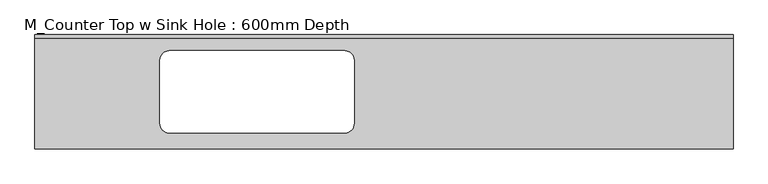
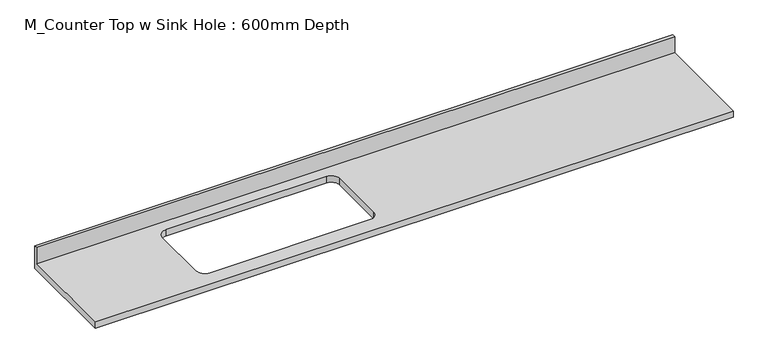
"""IFC4 building model written with IfcOpenShell, lengths in millimetres: furniture geometry, M_Counter Top w Sink Hole : 600mm Depth."""

import ifcopenshell
import ifcopenshell.guid

model = None  # the IFC model being written
_history = None  # IfcOwnerHistory: only IFC2X3 demands one
_inside = {}  # id of a spatial element -> (the spatial element, [elements in it])
_under = {}  # id of a project, library or spatial element -> (it, [spatial elements below it])
_declared = {}  # id of a project -> (the project, [libraries it declares])
_typed = {}  # id of a type object -> (the type object, [elements of that type])
_made_of = {}  # id of a material, layer set ... -> (it, [elements and type objects made of it])


def new_model(schema):
    """Start an empty IFC model of exactly this schema.

    Asked for "IFC4X3", IfcOpenShell would pick the latest addendum, in which some entities
    have other attributes; the version numbers below select the first issue.
    IFC2X3 requires an IfcOwnerHistory on every rooted entity: one is made here for all.
    """
    global model, _history
    if schema == "IFC4X3":
        model = ifcopenshell.file(schema_version=(4, 3, 0, 0))
    else:
        model = ifcopenshell.file(schema=schema)
    _inside.clear()
    _under.clear()
    _declared.clear()
    _typed.clear()
    _made_of.clear()
    _history = None
    if model.schema == "IFC2X3":
        org = make("IfcOrganization", Name="unknown")
        user = make(
            "IfcPersonAndOrganization",
            ThePerson=make("IfcPerson", FamilyName="unknown"),
            TheOrganization=org,
        )
        app = make(
            "IfcApplication",
            ApplicationDeveloper=org,
            Version="unknown",
            ApplicationFullName="unknown",
            ApplicationIdentifier="unknown",
        )
        _history = make(
            "IfcOwnerHistory",
            OwningUser=user,
            OwningApplication=app,
            ChangeAction="ADDED",
            CreationDate=0,
        )
    return model


def make(cls, **values):
    """One entity of the class cls with the attributes given. An attribute that is None is left unset."""
    return model.create_entity(
        cls, **{name: value for name, value in values.items() if value is not None}
    )


def rooted(cls, **values):
    """An entity with a GlobalId (a new one), such as an element, a storey or a relation."""
    return make(cls, GlobalId=ifcopenshell.guid.new(), OwnerHistory=_history, **values)


def si_unit(unit_type, name, prefix=None):
    """IfcSIUnit, for example si_unit("LENGTHUNIT", "METRE", prefix="MILLI")."""
    return make("IfcSIUnit", UnitType=unit_type, Prefix=prefix, Name=name)


def assignment(units):
    """IfcUnitAssignment: the units of a project."""
    return None if units is None else make("IfcUnitAssignment", Units=units)


def point(xyz):
    """IfcCartesianPoint."""
    return None if xyz is None else make("IfcCartesianPoint", Coordinates=xyz)


def direction(xyz):
    """IfcDirection."""
    return None if xyz is None else make("IfcDirection", DirectionRatios=xyz)


def frame(location, z_axis=None, x_axis=None):
    """IfcAxis2Placement3D, a coordinate frame: its origin and axes. An axis left out is left unset."""
    return make(
        "IfcAxis2Placement3D",
        Location=point(location),
        Axis=direction(z_axis),
        RefDirection=direction(x_axis),
    )


def origin():
    """The frame at (0, 0, 0) with its axes left unset."""
    return frame((0.0, 0.0, 0.0))


def place(relative_to, where):
    """IfcLocalPlacement: puts the frame where relative to a parent placement (None: the world)."""
    return make(
        "IfcLocalPlacement", PlacementRelTo=relative_to, RelativePlacement=where
    )


def context(
    kind, dimensions, precision=None, world=None, true_north=None, identifier=None
):
    """IfcGeometricRepresentationContext, for example the 3D "Model" context."""
    return make(
        "IfcGeometricRepresentationContext",
        ContextIdentifier=identifier,
        ContextType=kind,
        CoordinateSpaceDimension=dimensions,
        Precision=precision,
        WorldCoordinateSystem=world,
        TrueNorth=true_north,
    )


def project(units=None, contexts=None):
    """IfcProject with its units and contexts."""
    return rooted(
        "IfcProject",
        Name="project",
        RepresentationContexts=contexts,
        UnitsInContext=assignment(units),
    )


def spatial(cls, under=None, at=None, **own):
    """A site, building, storey or space (cls), placed at a placement, below another one or the project."""
    s = rooted(cls, ObjectPlacement=at, **own)
    if under is not None:
        _under.setdefault(under.id(), (under, []))[1].append(s)
    return s


def polyline(points):
    """IfcPolyline through the points."""
    return make("IfcPolyline", Points=[point(p) for p in points])


def circle_curve(where, radius):
    """IfcCircle in the frame where."""
    return make("IfcCircle", Position=where, Radius=radius)


def shape(context_of_items, identifier, shape_type, items):
    """IfcShapeRepresentation: the items that make up one representation, for example the "Body"."""
    return make(
        "IfcShapeRepresentation",
        ContextOfItems=context_of_items,
        RepresentationIdentifier=identifier,
        RepresentationType=shape_type,
        Items=items,
    )


def source(mapping_origin, context_of_items, identifier, shape_type, items):
    """IfcRepresentationMap: a shape defined once, which mapped items show again and again."""
    return make(
        "IfcRepresentationMap",
        MappingOrigin=mapping_origin,
        MappedRepresentation=shape(context_of_items, identifier, shape_type, items),
    )


def transform(
    local_origin,
    x_axis=None,
    y_axis=None,
    z_axis=None,
    scale=None,
    scale2=None,
    scale3=None,
    uniform=True,
):
    """IfcCartesianTransformationOperator3D, or its non-uniform kind. x_axis, y_axis, z_axis: its Axis1, 2, 3."""
    if uniform:
        return make(
            "IfcCartesianTransformationOperator3D",
            Axis1=direction(x_axis),
            Axis2=direction(y_axis),
            LocalOrigin=point(local_origin),
            Scale=scale,
            Axis3=direction(z_axis),
        )
    return make(
        "IfcCartesianTransformationOperator3DnonUniform",
        Axis1=direction(x_axis),
        Axis2=direction(y_axis),
        LocalOrigin=point(local_origin),
        Scale=scale,
        Axis3=direction(z_axis),
        Scale2=scale2,
        Scale3=scale3,
    )


def mapped(mapping_source, mapping_target):
    """IfcMappedItem: shows the shape of a source again, moved by a transform."""
    return make(
        "IfcMappedItem", MappingSource=mapping_source, MappingTarget=mapping_target
    )


def made_of(thing, what):
    """Note that an element or type object is made of a material, layer set ...; save() writes the relation."""
    if what is not None:
        _made_of.setdefault(what.id(), (what, []))[1].append(thing)
    return thing


def element(
    cls,
    number,
    at=None,
    inside=None,
    cuts=None,
    type_object=None,
    material=None,
    context=None,
    identifier="Body",
    shape_type=None,
    held_by="IfcProductDefinitionShape",
    body=None,
    shapes=None,
    **own,
):
    """One element of the class cls, such as IfcWall. Its Tag is "e" and its number.

    at: its placement. inside: the storey or other place that contains it. cuts: it is an
    opening in that element (IfcRelVoidsElement). A single representation is given by context,
    identifier, shape_type and body (its items); several are given by shapes. held_by: the class
    of the entity that holds the representations. save() writes the other relations.
    """
    e = rooted(cls, Tag="e%d" % number, ObjectPlacement=at, **own)
    if body is not None:
        shapes = [shape(context, identifier, shape_type, body)]
    if shapes is not None:
        e.Representation = make(held_by, Representations=shapes)
    if inside is not None:
        _inside.setdefault(inside.id(), (inside, []))[1].append(e)
    if cuts is not None:
        rooted(
            "IfcRelVoidsElement", RelatingBuildingElement=cuts, RelatedOpeningElement=e
        )
    if type_object is not None:
        _typed.setdefault(type_object.id(), (type_object, []))[1].append(e)
    return made_of(e, material)


def aggregate(whole, parts):
    """IfcRelAggregates: a whole, such as a stair, and the parts it consists of."""
    return rooted("IfcRelAggregates", RelatingObject=whole, RelatedObjects=parts)


def save(model, path):
    """Write the relations noted so far, then the file.

    IfcRelAggregates (storeys below a building ...), IfcRelContainedInSpatialStructure (elements
    in a storey), IfcRelDefinesByType, IfcRelAssociatesMaterial and IfcRelDeclares: one each for
    every whole, place, type object, material and project.
    """
    for whole, parts in _under.values():
        aggregate(whole, parts)
    for where, things in _inside.values():
        rooted(
            "IfcRelContainedInSpatialStructure",
            RelatedElements=things,
            RelatingStructure=where,
        )
    for kind, things in _typed.values():
        rooted("IfcRelDefinesByType", RelatedObjects=things, RelatingType=kind)
    for what, things in _made_of.values():
        rooted("IfcRelAssociatesMaterial", RelatedObjects=things, RelatingMaterial=what)
    for by, libraries in _declared.values():
        rooted("IfcRelDeclares", RelatingContext=by, RelatedDefinitions=libraries)
    model.write(path)


def plane_surface(at):
    """IfcPlane: the flat surface through the origin of the frame at, square to its z axis."""
    return make("IfcPlane", Position=at)


def revolved_surface(curve, axis_point, axis_direction):
    """IfcSurfaceOfRevolution: the curve turned about the line through axis_point along axis_direction."""
    return make(
        "IfcSurfaceOfRevolution",
        SweptCurve=make("IfcArbitraryOpenProfileDef", ProfileType="CURVE", Curve=curve),
        AxisPosition=make("IfcAxis1Placement", Location=point(axis_point), Axis=direction(axis_direction)),
    )


def advanced_brep(points, edges, surfaces, faces):
    """IfcAdvancedBrep: a solid bounded by faces that lie on surfaces and meet in shared edges.

    An edge is (start, end): straight between two places in points (the first is 0);
    or (start, end, curve); or (start, end, curve, False) where it runs against its curve.
    A face is (place in surfaces, loops), or (place, loops, False) where it looks against
    its surface's normal. A loop lists edges by number (the first is 1), with a minus sign
    where the edge is run from its end to its start. The first loop is the outer one.
    """
    corners = [point(p) for p in points]
    vertices = [make("IfcVertexPoint", VertexGeometry=c) for c in corners]
    made = []
    for start, end, *more in edges:
        made.append(
            make(
                "IfcEdgeCurve",
                EdgeStart=vertices[start],
                EdgeEnd=vertices[end],
                EdgeGeometry=more[0] if more else make("IfcPolyline", Points=[corners[start], corners[end]]),
                SameSense=more[1] if len(more) > 1 else True,
            )
        )
    hull = []
    for where, loops, *sense in faces:
        bounds = []
        for j, loop in enumerate(loops):
            ring = [make("IfcOrientedEdge", EdgeElement=made[abs(k) - 1], Orientation=k > 0) for k in loop]
            bounds.append(
                make(
                    "IfcFaceOuterBound" if j == 0 else "IfcFaceBound",
                    Bound=make("IfcEdgeLoop", EdgeList=ring),
                    Orientation=True,
                )
            )
        hull.append(make("IfcAdvancedFace", Bounds=bounds, FaceSurface=surfaces[where], SameSense=sense[0] if sense else True))
    return make("IfcAdvancedBrep", Outer=make("IfcClosedShell", CfsFaces=hull))


def m_counter_top_w_sink_hole_600mm_depth_66ecce43(model_context):
    return source(origin(), model_context, "Body", "AdvancedBrep", [
        advanced_brep(
        [(-1200.4622951, -625.0, 900.0), (2609.5377049, -625.0, 900.0), (2609.5377049, -19.05, 900.0), (-1200.4622951, -19.05, 900.0), (-467.2175878, -87.3, 900.0), (490.7609678, -87.3, 900.0), (541.5609678, -138.1, 900.0), (541.5609678, -486.0360866, 900.0), (490.7609678, -536.8360866, 900.0), (-467.2175878, -536.8360866, 900.0), (-518.0175878, -486.0360866, 900.0), (-518.0175878, -138.1, 900.0), (2609.5377049, 0.0, 860.0), (2609.5377049, -625.0, 860.0), (-1200.4622951, -625.0, 860.0), (-1200.4622951, 0.0, 860.0), (490.7609678, -87.3, 860.0), (-467.2175878, -87.3, 860.0), (-518.0175878, -138.1, 860.0), (-518.0175878, -486.0360866, 860.0), (-467.2175878, -536.8360866, 860.0), (490.7609678, -536.8360866, 860.0), (541.5609678, -486.0360866, 860.0), (541.5609678, -138.1, 860.0), (-1200.4622951, 0.0, 1001.6), (2609.5377049, 0.0, 1001.6), (-1200.4622951, -19.05, 1001.6), (2609.5377049, -19.05, 1001.6)],
        [
            (0, 1),
            (1, 2),
            (2, 3),
            (3, 0),
            (4, 5),
            (5, 6, circle_curve(frame((490.7609678, -138.1, 900.0), z_axis=(0.0, 0.0, -1.0), x_axis=(1.0, 0.0, 0.0)), 50.8)),
            (6, 7),
            (7, 8, circle_curve(frame((490.7609678, -486.0360866, 900.0), z_axis=(0.0, 0.0, -1.0), x_axis=(1.0, 0.0, 0.0)), 50.8)),
            (8, 9),
            (9, 10, circle_curve(frame((-467.2175878, -486.0360866, 900.0), z_axis=(0.0, 0.0, -1.0), x_axis=(1.0, 0.0, 0.0)), 50.8)),
            (10, 11),
            (11, 4, circle_curve(frame((-467.2175878, -138.1, 900.0), z_axis=(0.0, 0.0, -1.0), x_axis=(1.0, 0.0, 0.0)), 50.8)),
            (12, 13),
            (13, 14),
            (14, 15),
            (15, 12),
            (16, 17),
            (17, 18, circle_curve(frame((-467.2175878, -138.1, 860.0), z_axis=(0.0, 0.0, 1.0), x_axis=(1.0, 0.0, 0.0)), 50.8)),
            (18, 19),
            (19, 20, circle_curve(frame((-467.2175878, -486.0360866, 860.0), z_axis=(0.0, 0.0, 1.0), x_axis=(1.0, 0.0, 0.0)), 50.8)),
            (20, 21),
            (21, 22, circle_curve(frame((490.7609678, -486.0360866, 860.0), z_axis=(0.0, 0.0, 1.0), x_axis=(1.0, 0.0, 0.0)), 50.8)),
            (22, 23),
            (23, 16, circle_curve(frame((490.7609678, -138.1, 860.0), z_axis=(0.0, 0.0, 1.0), x_axis=(1.0, 0.0, 0.0)), 50.8)),
            (15, 24),
            (24, 25),
            (25, 12),
            (14, 0),
            (3, 26),
            (26, 24),
            (13, 1),
            (25, 27),
            (27, 2),
            (4, 17),
            (16, 5),
            (18, 11),
            (10, 19),
            (20, 9),
            (8, 21),
            (22, 7),
            (6, 23),
            (26, 27),
        ],
        [
            plane_surface(frame((-1200.4622951, 0.0, 900.0), z_axis=(0.0, 0.0, 1.0), x_axis=(-1.0, 0.0, 0.0))),
            plane_surface(frame((-1200.4622951, 0.0, 860.0), z_axis=(0.0, 0.0, -1.0), x_axis=(1.0, 0.0, 0.0))),
            plane_surface(frame((2609.5377049, 0.0, 900.0), z_axis=(0.0, 1.0, 0.0), x_axis=(0.0, 0.0, -1.0))),
            plane_surface(frame((-1200.4622951, 0.0, 900.0), z_axis=(-1.0, 0.0, 0.0), x_axis=(0.0, 0.0, -1.0))),
            plane_surface(frame((-1200.4622951, -625.0, 900.0), z_axis=(0.0, -1.0, 0.0), x_axis=(0.0, 0.0, -1.0))),
            plane_surface(frame((2609.5377049, -625.0, 900.0), z_axis=(1.0, 0.0, 0.0), x_axis=(0.0, 0.0, -1.0))),
            plane_surface(frame((490.7609678, -87.3, 900.0), z_axis=(0.0, -1.0, 0.0), x_axis=(0.0, 0.0, -1.0))),
            plane_surface(frame((-518.0175878, -138.1, 900.0), z_axis=(1.0, 0.0, 0.0), x_axis=(0.0, 0.0, -1.0))),
            plane_surface(frame((-467.2175878, -536.8360866, 900.0), z_axis=(0.0, 1.0, 0.0), x_axis=(0.0, 0.0, -1.0))),
            plane_surface(frame((541.5609678, -486.0360866, 900.0), z_axis=(-1.0, 0.0, 0.0), x_axis=(0.0, 0.0, -1.0))),
            revolved_surface(polyline([(-416.4175878, -138.1, 900.0), (-416.4175878, -138.1, 860.0)]), (-467.2175878, -138.1, 860.0), (0.0, 0.0, 1.0)),
            revolved_surface(polyline([(541.5609678, -486.0360866, 900.0), (541.5609678, -486.0360866, 860.0)]), (490.7609678, -486.0360866, 860.0), (0.0, 0.0, 1.0)),
            revolved_surface(polyline([(541.5609678, -138.1, 900.0), (541.5609678, -138.1, 860.0)]), (490.7609678, -138.1, 860.0), (0.0, 0.0, 1.0)),
            revolved_surface(polyline([(-416.4175878, -486.0360866, 900.0), (-416.4175878, -486.0360866, 860.0)]), (-467.2175878, -486.0360866, 860.0), (0.0, 0.0, 1.0)),
            plane_surface(frame((-1200.4622951, 0.0, 1001.6), z_axis=(0.0, 0.0, 1.0), x_axis=(0.0, -1.0, 0.0))),
            plane_surface(frame((-1200.4622951, -19.05, 1001.6), z_axis=(0.0, -1.0, 0.0), x_axis=(0.0, 0.0, -1.0))),
        ],
        [
            (0, [[1, 2, 3, 4], [5, 6, 7, 8, 9, 10, 11, 12]]),
            (1, [[13, 14, 15, 16], [17, 18, 19, 20, 21, 22, 23, 24]]),
            (2, [[-16, 25, 26, 27]]),
            (3, [[-15, 28, -4, 29, 30, -25]]),
            (4, [[-1, -28, -14, 31]]),
            (5, [[-13, -27, 32, 33, -2, -31]]),
            (6, [[34, -17, 35, -5]]),
            (7, [[36, -11, 37, -19]]),
            (8, [[38, -9, 39, -21]]),
            (9, [[40, -7, 41, -23]]),
            (10, [[-34, -12, -36, -18]]),
            (11, [[-39, -8, -40, -22]]),
            (12, [[-35, -24, -41, -6]]),
            (13, [[-37, -10, -38, -20]]),
            (14, [[-30, 42, -32, -26]]),
            (15, [[-42, -29, -3, -33]]),
        ],
    ),
    ])


if __name__ == "__main__":
    model = new_model("IFC4")
    model_context = context("Model", 3, world=origin())
    ifc_project = project(units=[si_unit("LENGTHUNIT", "METRE", prefix="MILLI")], contexts=[model_context])
    site = spatial("IfcSite", under=ifc_project)
    building = spatial("IfcBuilding", under=site)
    placement = place(None, origin())
    m_counter_top_w_sink_hole_600mm_depth_shape = m_counter_top_w_sink_hole_600mm_depth_66ecce43(model_context)
    element("IfcFurniture", 1, ObjectType="M_Counter Top w Sink Hole : 600mm Depth", at=placement, inside=building, context=model_context, shape_type="MappedRepresentation", body=[
        mapped(m_counter_top_w_sink_hole_600mm_depth_shape, transform((0.0, 0.0, 0.0), x_axis=(1.0, 0.0, 0.0), y_axis=(0.0, 1.0, 0.0), z_axis=(0.0, 0.0, 1.0))),
    ])
    save(model, "model.ifc")
